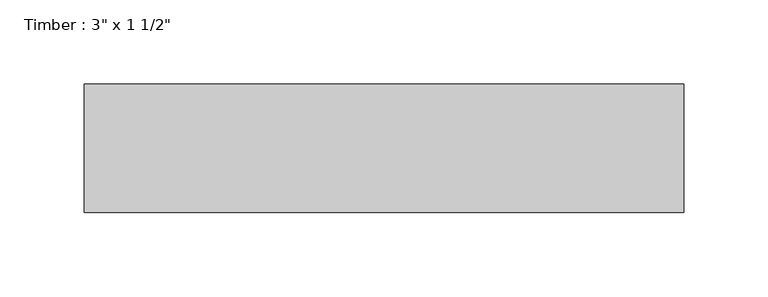
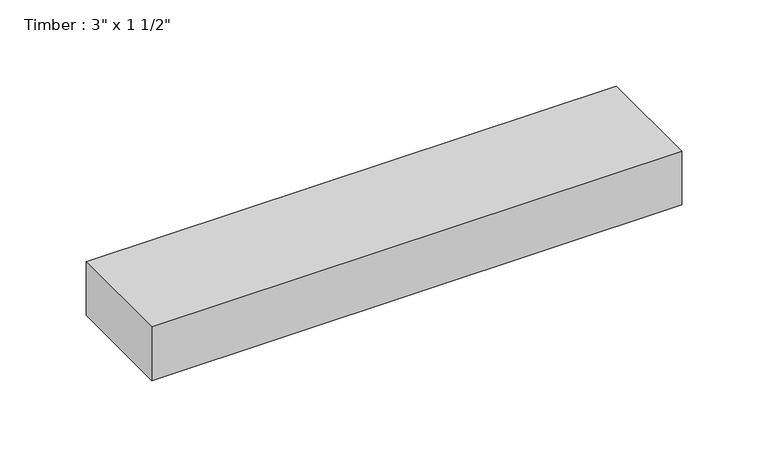
"""IFC4 building model written with IfcOpenShell, lengths in millimetres: beam geometry."""

from ifc_helpers import new_model, si_unit, frame, origin, place, context, project, spatial, polyline, outline, extrude, source, transform, mapped, element, save


def beam_3be95690(model_context):
    return source(origin(), model_context, "Body", "SweptSolid", [
        extrude(outline(polyline([(177.8, 38.1), (177.8, -38.1), (-177.8, -38.1), (-177.8, 38.1), (177.8, 38.1)])), frame((0.0, 0.0, -19.05), z_axis=(0.0, 0.0, 1.0), x_axis=(1.0, 0.0, 0.0)), (0.0, 0.0, 1.0), 38.1),
    ])


if __name__ == "__main__":
    model = new_model("IFC4")
    model_context = context("Model", 3, world=origin())
    ifc_project = project(units=[si_unit("LENGTHUNIT", "METRE", prefix="MILLI")], contexts=[model_context])
    site = spatial("IfcSite", under=ifc_project)
    building = spatial("IfcBuilding", under=site)
    placement = place(None, origin())
    beam_shape = beam_3be95690(model_context)
    element("IfcBeam", 1, ObjectType="Timber : 3\" x 1 1/2\"", at=placement, inside=building, context=model_context, shape_type="MappedRepresentation", body=[
        mapped(beam_shape, transform((0.0, 0.0, 0.0), x_axis=(1.0, 0.0, 0.0), y_axis=(0.0, 1.0, 0.0), z_axis=(0.0, 0.0, 1.0))),
    ])
    save(model, "model.ifc")
